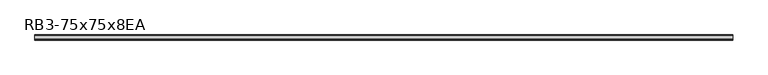
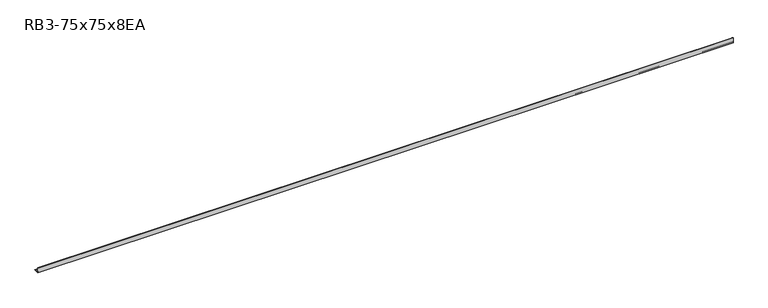
"""IFC4 building model written with IfcOpenShell, lengths in millimetres: member geometry, RB3-75x75x8EA."""

from ifc_helpers import new_model, si_unit, point, frame, frame_2d, origin, place, context, project, spatial, polyline, circle_curve, trimmed, segment, composite_curve, outline, extrude, source, transform, mapped, element, save


def rb3_75x75x8ea_0c124911(model_context):
    return source(origin(), model_context, "Body", "SweptSolid", [
        extrude(outline(composite_curve([segment(polyline([(-21.3, -21.3), (-21.3, 53.7), (-18.3, 53.7)]), True, "CONTINUOUS"), segment(trimmed(circle_curve(frame_2d((-18.3, 48.7)), 5.0), [point((-18.3, 53.7))], [point((-13.3, 48.7))], False, "CARTESIAN"), True, "CONTINUOUS"), segment(polyline([(-13.3, 48.7), (-13.3, -5.3)]), True, "CONTINUOUS"), segment(trimmed(circle_curve(frame_2d((-5.3, -5.3)), 8.0), [point((-13.3, -5.3))], [point((-5.3, -13.3))], True, "CARTESIAN"), True, "CONTINUOUS"), segment(polyline([(-5.3, -13.3), (48.7, -13.3)]), True, "CONTINUOUS"), segment(trimmed(circle_curve(frame_2d((48.7, -18.3)), 5.0), [point((48.7, -13.3))], [point((53.7, -18.3))], False, "CARTESIAN"), True, "CONTINUOUS"), segment(polyline([(53.7, -18.3), (53.7, -21.3), (-21.3, -21.3)]), True, "CONTINUOUS")], self_intersect=False)), frame((-5147.0, 0.0, 0.0), z_axis=(1.0, 0.0, 0.0), x_axis=(0.0, 1.0, 0.0)), (0.0, 0.0, 1.0), 10260.0),
    ])


if __name__ == "__main__":
    model = new_model("IFC4")
    model_context = context("Model", 3, world=origin())
    ifc_project = project(units=[si_unit("LENGTHUNIT", "METRE", prefix="MILLI")], contexts=[model_context])
    site = spatial("IfcSite", under=ifc_project)
    building = spatial("IfcBuilding", under=site)
    placement = place(None, origin())
    rb3_75x75x8ea_shape = rb3_75x75x8ea_0c124911(model_context)
    element("IfcMember", 1, ObjectType="RB3-75x75x8EA", at=placement, inside=building, context=model_context, shape_type="MappedRepresentation", body=[
        mapped(rb3_75x75x8ea_shape, transform((0.0, 0.0, 0.0), x_axis=(1.0, 0.0, 0.0), y_axis=(0.0, 1.0, 0.0), z_axis=(0.0, 0.0, 1.0))),
    ])
    save(model, "model.ifc")
